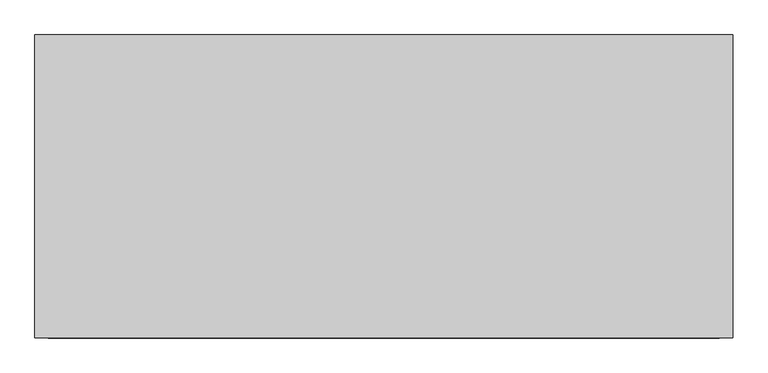
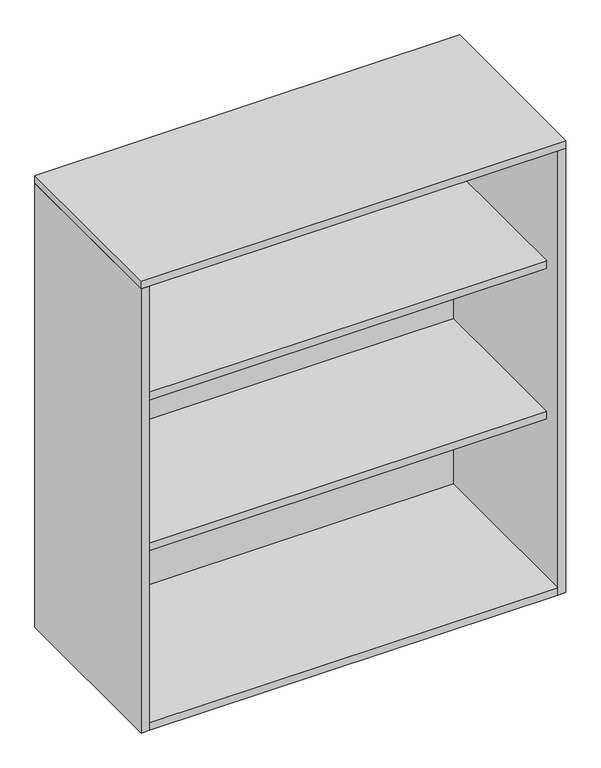
"""IFC4 building model written with IfcOpenShell, lengths in millimetres: furniture geometry."""

from ifc_helpers import new_model, si_unit, frame, origin, origin_with_axes, place, context, project, spatial, polyline, outline, extrude, source, transform, mapped, element, save


def furniture_36e3ff9c(model_context):
    return source(origin(), model_context, "Body", "SweptSolid", [
        extrude(outline(polyline([(-781.0, 209.0), (181.0, 209.0), (181.0, -171.0), (-781.0, -171.0), (-781.0, 209.0)])), frame((0.0, 0.0, 411.0), z_axis=(0.0, 0.0, 1.0), x_axis=(1.0, 0.0, 0.0)), (0.0, 0.0, 1.0), 19.0),
        extrude(outline(polyline([(-781.0, 209.0), (181.0, 209.0), (181.0, -171.0), (-781.0, -171.0), (-781.0, 209.0)])), frame((0.0, 0.0, 786.0), z_axis=(0.0, 0.0, 1.0), x_axis=(1.0, 0.0, 0.0)), (0.0, 0.0, 1.0), 19.0),
        extrude(outline(polyline([(181.0, 209.0), (-781.0, 209.0), (-781.0, 217.0), (181.0, 217.0), (181.0, 209.0)])), frame((0.0, 0.0, 19.0), z_axis=(0.0, 0.0, 1.0), x_axis=(1.0, 0.0, 0.0)), (0.0, 0.0, 1.0), 1087.0),
        extrude(outline(polyline([(-800.0, -217.0), (-800.0, 217.0), (200.0, 217.0), (200.0, -217.0), (-800.0, -217.0)])), frame((0.0, 0.0, 1106.0), z_axis=(0.0, 0.0, 1.0), x_axis=(1.0, 0.0, 0.0)), (0.0, 0.0, 1.0), 19.0),
        extrude(outline(polyline([(200.0, 217.0), (200.0, -217.0), (181.0, -217.0), (181.0, 217.0), (200.0, 217.0)])), origin_with_axes(), (0.0, 0.0, 1.0), 1106.0),
        extrude(outline(polyline([(-781.0, 217.0), (-781.0, -217.0), (-800.0, -217.0), (-800.0, 217.0), (-781.0, 217.0)])), origin_with_axes(), (0.0, 0.0, 1.0), 1106.0),
        extrude(outline(polyline([(181.0, 217.0), (181.0, -217.0), (-781.0, -217.0), (-781.0, 217.0), (181.0, 217.0)])), origin_with_axes(), (0.0, 0.0, 1.0), 19.0),
    ])


if __name__ == "__main__":
    model = new_model("IFC4")
    model_context = context("Model", 3, world=origin())
    ifc_project = project(units=[si_unit("LENGTHUNIT", "METRE", prefix="MILLI")], contexts=[model_context])
    site = spatial("IfcSite", under=ifc_project)
    building = spatial("IfcBuilding", under=site)
    placement = place(None, origin())
    furniture_shape = furniture_36e3ff9c(model_context)
    element("IfcFurniture", 1, at=placement, inside=building, context=model_context, shape_type="MappedRepresentation", body=[
        mapped(furniture_shape, transform((0.0, 0.0, 0.0), x_axis=(1.0, 0.0, 0.0), y_axis=(0.0, 1.0, 0.0), z_axis=(0.0, 0.0, 1.0))),
    ])
    save(model, "model.ifc")
